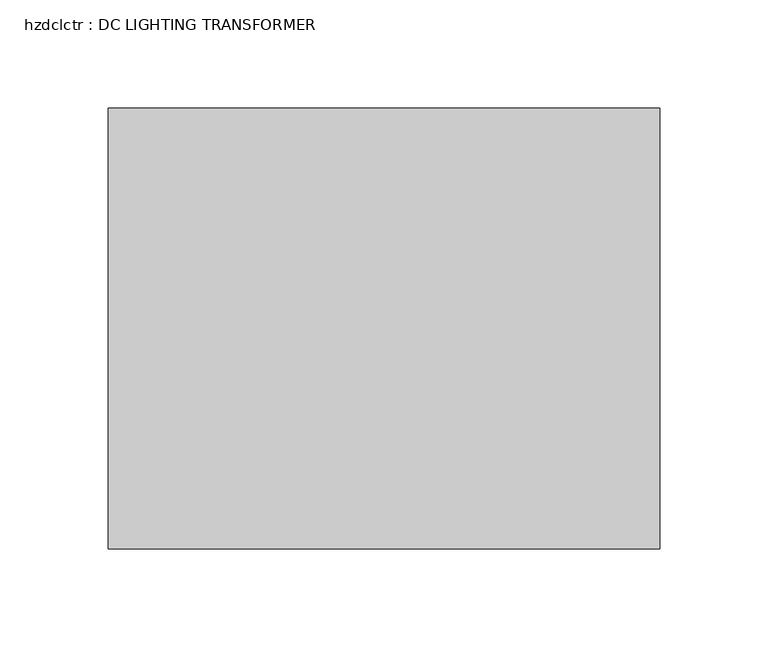
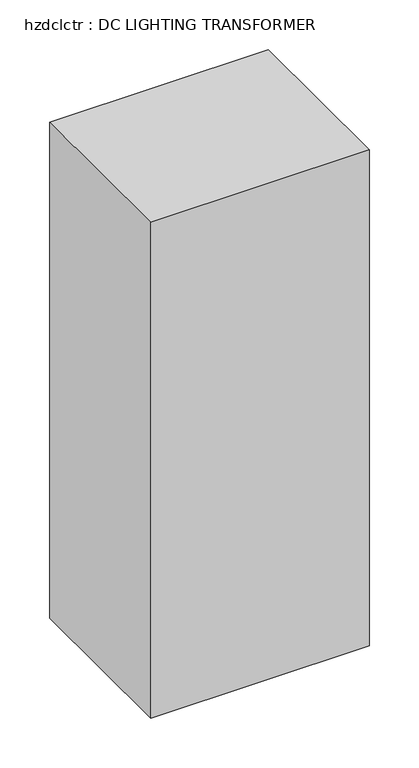
"""IFC4 building model written with IfcOpenShell, lengths in millimetres: proxy geometry, hzdclctr : DC LIGHTING TRANSFORMER."""

import ifcopenshell
import ifcopenshell.guid

model = None  # the IFC model being written
_history = None  # IfcOwnerHistory: only IFC2X3 demands one
_inside = {}  # id of a spatial element -> (the spatial element, [elements in it])
_under = {}  # id of a project, library or spatial element -> (it, [spatial elements below it])
_declared = {}  # id of a project -> (the project, [libraries it declares])
_typed = {}  # id of a type object -> (the type object, [elements of that type])
_made_of = {}  # id of a material, layer set ... -> (it, [elements and type objects made of it])


def new_model(schema):
    """Start an empty IFC model of exactly this schema.

    Asked for "IFC4X3", IfcOpenShell would pick the latest addendum, in which some entities
    have other attributes; the version numbers below select the first issue.
    IFC2X3 requires an IfcOwnerHistory on every rooted entity: one is made here for all.
    """
    global model, _history
    if schema == "IFC4X3":
        model = ifcopenshell.file(schema_version=(4, 3, 0, 0))
    else:
        model = ifcopenshell.file(schema=schema)
    _inside.clear()
    _under.clear()
    _declared.clear()
    _typed.clear()
    _made_of.clear()
    _history = None
    if model.schema == "IFC2X3":
        org = make("IfcOrganization", Name="unknown")
        user = make(
            "IfcPersonAndOrganization",
            ThePerson=make("IfcPerson", FamilyName="unknown"),
            TheOrganization=org,
        )
        app = make(
            "IfcApplication",
            ApplicationDeveloper=org,
            Version="unknown",
            ApplicationFullName="unknown",
            ApplicationIdentifier="unknown",
        )
        _history = make(
            "IfcOwnerHistory",
            OwningUser=user,
            OwningApplication=app,
            ChangeAction="ADDED",
            CreationDate=0,
        )
    return model


def make(cls, **values):
    """One entity of the class cls with the attributes given. An attribute that is None is left unset."""
    return model.create_entity(
        cls, **{name: value for name, value in values.items() if value is not None}
    )


def rooted(cls, **values):
    """An entity with a GlobalId (a new one), such as an element, a storey or a relation."""
    return make(cls, GlobalId=ifcopenshell.guid.new(), OwnerHistory=_history, **values)


def si_unit(unit_type, name, prefix=None):
    """IfcSIUnit, for example si_unit("LENGTHUNIT", "METRE", prefix="MILLI")."""
    return make("IfcSIUnit", UnitType=unit_type, Prefix=prefix, Name=name)


def assignment(units):
    """IfcUnitAssignment: the units of a project."""
    return None if units is None else make("IfcUnitAssignment", Units=units)


def point(xyz):
    """IfcCartesianPoint."""
    return None if xyz is None else make("IfcCartesianPoint", Coordinates=xyz)


def direction(xyz):
    """IfcDirection."""
    return None if xyz is None else make("IfcDirection", DirectionRatios=xyz)


def frame(location, z_axis=None, x_axis=None):
    """IfcAxis2Placement3D, a coordinate frame: its origin and axes. An axis left out is left unset."""
    return make(
        "IfcAxis2Placement3D",
        Location=point(location),
        Axis=direction(z_axis),
        RefDirection=direction(x_axis),
    )


def origin():
    """The frame at (0, 0, 0) with its axes left unset."""
    return frame((0.0, 0.0, 0.0))


def origin_with_axes():
    """The frame at (0, 0, 0) with the z axis (0, 0, 1) and the x axis (1, 0, 0) written out."""
    return frame((0.0, 0.0, 0.0), z_axis=(0.0, 0.0, 1.0), x_axis=(1.0, 0.0, 0.0))


def place(relative_to, where):
    """IfcLocalPlacement: puts the frame where relative to a parent placement (None: the world)."""
    return make(
        "IfcLocalPlacement", PlacementRelTo=relative_to, RelativePlacement=where
    )


def context(
    kind, dimensions, precision=None, world=None, true_north=None, identifier=None
):
    """IfcGeometricRepresentationContext, for example the 3D "Model" context."""
    return make(
        "IfcGeometricRepresentationContext",
        ContextIdentifier=identifier,
        ContextType=kind,
        CoordinateSpaceDimension=dimensions,
        Precision=precision,
        WorldCoordinateSystem=world,
        TrueNorth=true_north,
    )


def project(units=None, contexts=None):
    """IfcProject with its units and contexts."""
    return rooted(
        "IfcProject",
        Name="project",
        RepresentationContexts=contexts,
        UnitsInContext=assignment(units),
    )


def spatial(cls, under=None, at=None, **own):
    """A site, building, storey or space (cls), placed at a placement, below another one or the project."""
    s = rooted(cls, ObjectPlacement=at, **own)
    if under is not None:
        _under.setdefault(under.id(), (under, []))[1].append(s)
    return s


def polyline(points):
    """IfcPolyline through the points."""
    return make("IfcPolyline", Points=[point(p) for p in points])


def outline(outer, holes=None, kind="AREA"):
    """IfcArbitraryClosedProfileDef: a profile drawn as a closed curve; with holes, ...WithVoids."""
    if holes is None:
        return make("IfcArbitraryClosedProfileDef", ProfileType=kind, OuterCurve=outer)
    return make(
        "IfcArbitraryProfileDefWithVoids",
        ProfileType=kind,
        OuterCurve=outer,
        InnerCurves=holes,
    )


def extrude(swept, where, along, depth):
    """IfcExtrudedAreaSolid: the profile swept, set in the frame where, extruded along a direction by depth."""
    return make(
        "IfcExtrudedAreaSolid",
        SweptArea=swept,
        Position=where,
        ExtrudedDirection=direction(along),
        Depth=depth,
    )


def shape(context_of_items, identifier, shape_type, items):
    """IfcShapeRepresentation: the items that make up one representation, for example the "Body"."""
    return make(
        "IfcShapeRepresentation",
        ContextOfItems=context_of_items,
        RepresentationIdentifier=identifier,
        RepresentationType=shape_type,
        Items=items,
    )


def source(mapping_origin, context_of_items, identifier, shape_type, items):
    """IfcRepresentationMap: a shape defined once, which mapped items show again and again."""
    return make(
        "IfcRepresentationMap",
        MappingOrigin=mapping_origin,
        MappedRepresentation=shape(context_of_items, identifier, shape_type, items),
    )


def transform(
    local_origin,
    x_axis=None,
    y_axis=None,
    z_axis=None,
    scale=None,
    scale2=None,
    scale3=None,
    uniform=True,
):
    """IfcCartesianTransformationOperator3D, or its non-uniform kind. x_axis, y_axis, z_axis: its Axis1, 2, 3."""
    if uniform:
        return make(
            "IfcCartesianTransformationOperator3D",
            Axis1=direction(x_axis),
            Axis2=direction(y_axis),
            LocalOrigin=point(local_origin),
            Scale=scale,
            Axis3=direction(z_axis),
        )
    return make(
        "IfcCartesianTransformationOperator3DnonUniform",
        Axis1=direction(x_axis),
        Axis2=direction(y_axis),
        LocalOrigin=point(local_origin),
        Scale=scale,
        Axis3=direction(z_axis),
        Scale2=scale2,
        Scale3=scale3,
    )


def mapped(mapping_source, mapping_target):
    """IfcMappedItem: shows the shape of a source again, moved by a transform."""
    return make(
        "IfcMappedItem", MappingSource=mapping_source, MappingTarget=mapping_target
    )


def made_of(thing, what):
    """Note that an element or type object is made of a material, layer set ...; save() writes the relation."""
    if what is not None:
        _made_of.setdefault(what.id(), (what, []))[1].append(thing)
    return thing


def element(
    cls,
    number,
    at=None,
    inside=None,
    cuts=None,
    type_object=None,
    material=None,
    context=None,
    identifier="Body",
    shape_type=None,
    held_by="IfcProductDefinitionShape",
    body=None,
    shapes=None,
    **own,
):
    """One element of the class cls, such as IfcWall. Its Tag is "e" and its number.

    at: its placement. inside: the storey or other place that contains it. cuts: it is an
    opening in that element (IfcRelVoidsElement). A single representation is given by context,
    identifier, shape_type and body (its items); several are given by shapes. held_by: the class
    of the entity that holds the representations. save() writes the other relations.
    """
    e = rooted(cls, Tag="e%d" % number, ObjectPlacement=at, **own)
    if body is not None:
        shapes = [shape(context, identifier, shape_type, body)]
    if shapes is not None:
        e.Representation = make(held_by, Representations=shapes)
    if inside is not None:
        _inside.setdefault(inside.id(), (inside, []))[1].append(e)
    if cuts is not None:
        rooted(
            "IfcRelVoidsElement", RelatingBuildingElement=cuts, RelatedOpeningElement=e
        )
    if type_object is not None:
        _typed.setdefault(type_object.id(), (type_object, []))[1].append(e)
    return made_of(e, material)


def aggregate(whole, parts):
    """IfcRelAggregates: a whole, such as a stair, and the parts it consists of."""
    return rooted("IfcRelAggregates", RelatingObject=whole, RelatedObjects=parts)


def save(model, path):
    """Write the relations noted so far, then the file.

    IfcRelAggregates (storeys below a building ...), IfcRelContainedInSpatialStructure (elements
    in a storey), IfcRelDefinesByType, IfcRelAssociatesMaterial and IfcRelDeclares: one each for
    every whole, place, type object, material and project.
    """
    for whole, parts in _under.values():
        aggregate(whole, parts)
    for where, things in _inside.values():
        rooted(
            "IfcRelContainedInSpatialStructure",
            RelatedElements=things,
            RelatingStructure=where,
        )
    for kind, things in _typed.values():
        rooted("IfcRelDefinesByType", RelatedObjects=things, RelatingType=kind)
    for what, things in _made_of.values():
        rooted("IfcRelAssociatesMaterial", RelatedObjects=things, RelatingMaterial=what)
    for by, libraries in _declared.values():
        rooted("IfcRelDeclares", RelatingContext=by, RelatedDefinitions=libraries)
    model.write(path)


def hzdclctr_dc_lighting_transformer_e4c25e09(model_context):
    return source(origin(), model_context, "Body", "SweptSolid", [
        extrude(outline(polyline([(-74.5036378, -651.4249791), (179.4963622, -651.4249791), (179.4963622, -854.6249791), (-74.5036378, -854.6249791), (-74.5036378, -651.4249791)])), origin_with_axes(), (0.0, 0.0, 1.0), 609.6),
    ])


if __name__ == "__main__":
    model = new_model("IFC4")
    model_context = context("Model", 3, world=origin())
    ifc_project = project(units=[si_unit("LENGTHUNIT", "METRE", prefix="MILLI")], contexts=[model_context])
    site = spatial("IfcSite", under=ifc_project)
    building = spatial("IfcBuilding", under=site)
    placement = place(None, origin())
    hzdclctr_dc_lighting_transformer_shape = hzdclctr_dc_lighting_transformer_e4c25e09(model_context)
    element("IfcBuildingElementProxy", 1, Name="hzdclctr : DC LIGHTING TRANSFORMER", ObjectType="hzdclctr : DC LIGHTING TRANSFORMER", at=placement, inside=building, context=model_context, shape_type="MappedRepresentation", body=[
        mapped(hzdclctr_dc_lighting_transformer_shape, transform((0.0, 0.0, 0.0), x_axis=(1.0, 0.0, 0.0), y_axis=(0.0, 1.0, 0.0), z_axis=(0.0, 0.0, 1.0))),
    ])
    save(model, "model.ifc")
